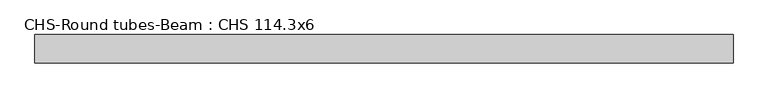
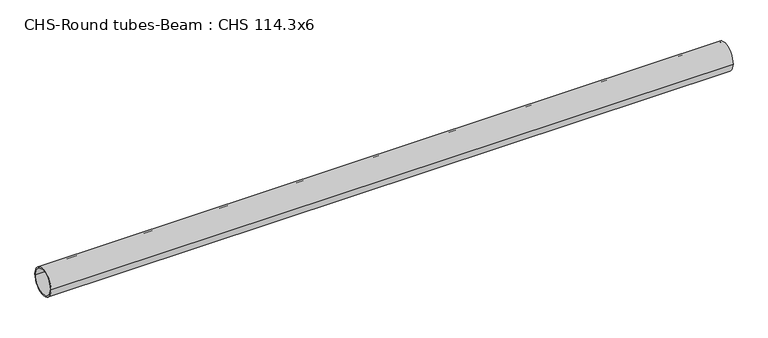
"""IFC4 building model written with IfcOpenShell, lengths in millimetres: beam geometry, CHS-Round tubes-Beam : CHS 114.3x6."""

from ifc_helpers import new_model, si_unit, point, frame, origin, origin_2d, place, context, project, spatial, circle_curve, trimmed, segment, composite_curve, outline, extrude, source, transform, mapped, element, save


def chs_round_tubes_beam_chs_114_3x6_6c1bf8b8(model_context):
    return source(origin(), model_context, "Body", "SweptSolid", [
        extrude(outline(composite_curve([segment(trimmed(circle_curve(origin_2d(), 57.15), [point((57.15, 0.0))], [point((-57.15, 0.0))], False, "CARTESIAN"), True, "CONTINUOUS"), segment(trimmed(circle_curve(origin_2d(), 57.15), [point((-57.15, 0.0))], [point((57.15, 0.0))], False, "CARTESIAN"), True, "CONTINUOUS")], self_intersect=False), holes=[composite_curve([segment(trimmed(circle_curve(origin_2d(), 51.15), [point((51.15, 0.0))], [point((-51.15, 0.0))], True, "CARTESIAN"), True, "CONTINUOUS"), segment(trimmed(circle_curve(origin_2d(), 51.15), [point((-51.15, 0.0))], [point((51.15, 0.0))], True, "CARTESIAN"), True, "CONTINUOUS")], self_intersect=False)]), frame((-1388.6082971, 0.0, 0.0), z_axis=(1.0, 0.0, 0.0), x_axis=(0.0, 1.0, 0.0)), (0.0, 0.0, 1.0), 2804.0137126),
    ])


if __name__ == "__main__":
    model = new_model("IFC4")
    model_context = context("Model", 3, world=origin())
    ifc_project = project(units=[si_unit("LENGTHUNIT", "METRE", prefix="MILLI")], contexts=[model_context])
    site = spatial("IfcSite", under=ifc_project)
    building = spatial("IfcBuilding", under=site)
    placement = place(None, origin())
    chs_round_tubes_beam_chs_114_3x6_shape = chs_round_tubes_beam_chs_114_3x6_6c1bf8b8(model_context)
    element("IfcBeam", 1, ObjectType="CHS-Round tubes-Beam : CHS 114.3x6", at=placement, inside=building, context=model_context, shape_type="MappedRepresentation", body=[
        mapped(chs_round_tubes_beam_chs_114_3x6_shape, transform((0.0, 0.0, 0.0), x_axis=(1.0, 0.0, 0.0), y_axis=(0.0, 1.0, 0.0), z_axis=(0.0, 0.0, 1.0))),
    ])
    save(model, "model.ifc")
